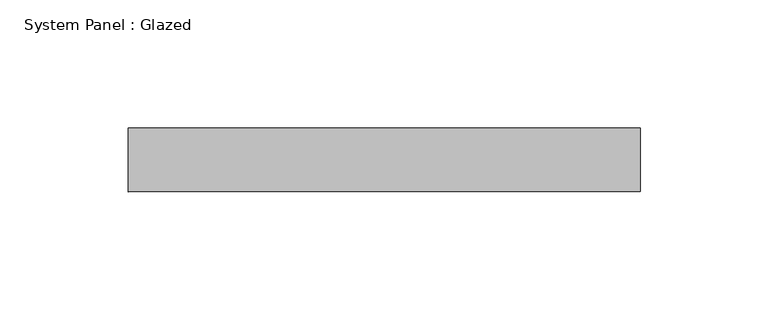
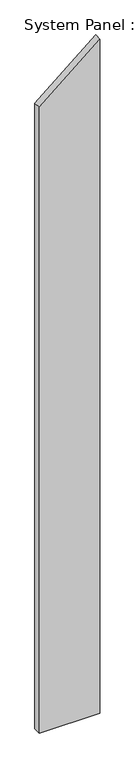
"""IFC4 building model written with IfcOpenShell, lengths in millimetres: plate geometry, System Panel : Glazed."""

from ifc_helpers import new_model, si_unit, frame, origin, place, context, project, spatial, polyline, outline, extrude, source, transform, mapped, element, save


def system_panel_glazed_eb3993b1(model_context):
    return source(origin(), model_context, "Body", "SweptSolid", [
        extrude(outline(polyline([(0.0, -100.0), (0.0, 100.0), (2349.4789676, 100.0), (2181.6590413, -100.0), (0.0, -100.0)])), frame((0.0, 24.5, 0.0), z_axis=(0.0, 1.0, 0.0), x_axis=(0.0, 0.0, 1.0)), (0.0, 0.0, 1.0), 25.0),
    ])


if __name__ == "__main__":
    model = new_model("IFC4")
    model_context = context("Model", 3, world=origin())
    ifc_project = project(units=[si_unit("LENGTHUNIT", "METRE", prefix="MILLI")], contexts=[model_context])
    site = spatial("IfcSite", under=ifc_project)
    building = spatial("IfcBuilding", under=site)
    placement = place(None, origin())
    system_panel_glazed_shape = system_panel_glazed_eb3993b1(model_context)
    element("IfcPlate", 1, ObjectType="System Panel : Glazed", at=placement, inside=building, context=model_context, shape_type="MappedRepresentation", body=[
        mapped(system_panel_glazed_shape, transform((0.0, 0.0, 0.0), x_axis=(1.0, 0.0, 0.0), y_axis=(0.0, 1.0, 0.0), z_axis=(0.0, 0.0, 1.0))),
    ])
    save(model, "model.ifc")
